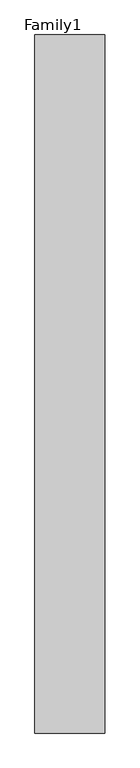
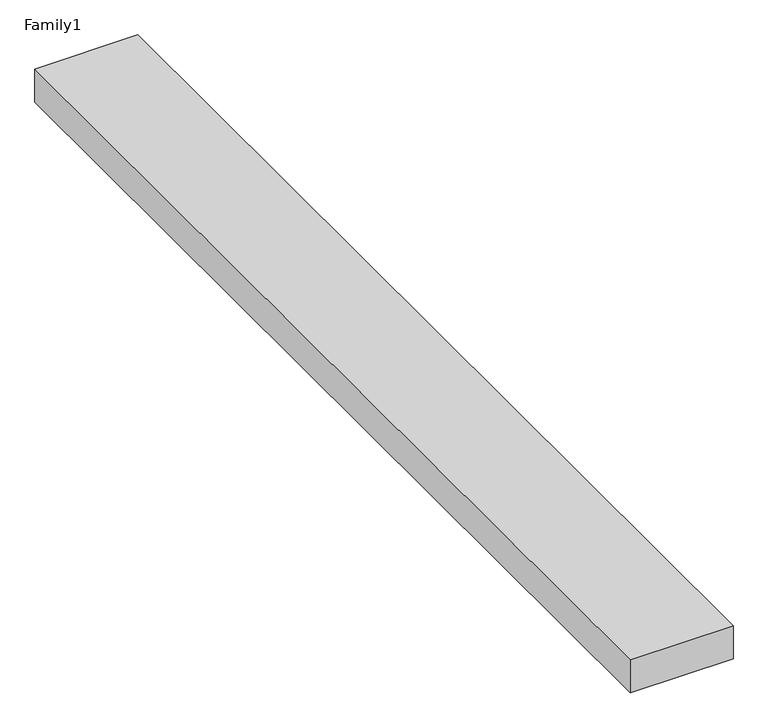
"""IFC4 building model written with IfcOpenShell, lengths in millimetres: proxy geometry, Family1."""

import ifcopenshell
import ifcopenshell.guid

model = None  # the IFC model being written
_history = None  # IfcOwnerHistory: only IFC2X3 demands one
_inside = {}  # id of a spatial element -> (the spatial element, [elements in it])
_under = {}  # id of a project, library or spatial element -> (it, [spatial elements below it])
_declared = {}  # id of a project -> (the project, [libraries it declares])
_typed = {}  # id of a type object -> (the type object, [elements of that type])
_made_of = {}  # id of a material, layer set ... -> (it, [elements and type objects made of it])


def new_model(schema):
    """Start an empty IFC model of exactly this schema.

    Asked for "IFC4X3", IfcOpenShell would pick the latest addendum, in which some entities
    have other attributes; the version numbers below select the first issue.
    IFC2X3 requires an IfcOwnerHistory on every rooted entity: one is made here for all.
    """
    global model, _history
    if schema == "IFC4X3":
        model = ifcopenshell.file(schema_version=(4, 3, 0, 0))
    else:
        model = ifcopenshell.file(schema=schema)
    _inside.clear()
    _under.clear()
    _declared.clear()
    _typed.clear()
    _made_of.clear()
    _history = None
    if model.schema == "IFC2X3":
        org = make("IfcOrganization", Name="unknown")
        user = make(
            "IfcPersonAndOrganization",
            ThePerson=make("IfcPerson", FamilyName="unknown"),
            TheOrganization=org,
        )
        app = make(
            "IfcApplication",
            ApplicationDeveloper=org,
            Version="unknown",
            ApplicationFullName="unknown",
            ApplicationIdentifier="unknown",
        )
        _history = make(
            "IfcOwnerHistory",
            OwningUser=user,
            OwningApplication=app,
            ChangeAction="ADDED",
            CreationDate=0,
        )
    return model


def make(cls, **values):
    """One entity of the class cls with the attributes given. An attribute that is None is left unset."""
    return model.create_entity(
        cls, **{name: value for name, value in values.items() if value is not None}
    )


def rooted(cls, **values):
    """An entity with a GlobalId (a new one), such as an element, a storey or a relation."""
    return make(cls, GlobalId=ifcopenshell.guid.new(), OwnerHistory=_history, **values)


def si_unit(unit_type, name, prefix=None):
    """IfcSIUnit, for example si_unit("LENGTHUNIT", "METRE", prefix="MILLI")."""
    return make("IfcSIUnit", UnitType=unit_type, Prefix=prefix, Name=name)


def assignment(units):
    """IfcUnitAssignment: the units of a project."""
    return None if units is None else make("IfcUnitAssignment", Units=units)


def point(xyz):
    """IfcCartesianPoint."""
    return None if xyz is None else make("IfcCartesianPoint", Coordinates=xyz)


def direction(xyz):
    """IfcDirection."""
    return None if xyz is None else make("IfcDirection", DirectionRatios=xyz)


def frame(location, z_axis=None, x_axis=None):
    """IfcAxis2Placement3D, a coordinate frame: its origin and axes. An axis left out is left unset."""
    return make(
        "IfcAxis2Placement3D",
        Location=point(location),
        Axis=direction(z_axis),
        RefDirection=direction(x_axis),
    )


def origin():
    """The frame at (0, 0, 0) with its axes left unset."""
    return frame((0.0, 0.0, 0.0))


def origin_with_axes():
    """The frame at (0, 0, 0) with the z axis (0, 0, 1) and the x axis (1, 0, 0) written out."""
    return frame((0.0, 0.0, 0.0), z_axis=(0.0, 0.0, 1.0), x_axis=(1.0, 0.0, 0.0))


def place(relative_to, where):
    """IfcLocalPlacement: puts the frame where relative to a parent placement (None: the world)."""
    return make(
        "IfcLocalPlacement", PlacementRelTo=relative_to, RelativePlacement=where
    )


def context(
    kind, dimensions, precision=None, world=None, true_north=None, identifier=None
):
    """IfcGeometricRepresentationContext, for example the 3D "Model" context."""
    return make(
        "IfcGeometricRepresentationContext",
        ContextIdentifier=identifier,
        ContextType=kind,
        CoordinateSpaceDimension=dimensions,
        Precision=precision,
        WorldCoordinateSystem=world,
        TrueNorth=true_north,
    )


def project(units=None, contexts=None):
    """IfcProject with its units and contexts."""
    return rooted(
        "IfcProject",
        Name="project",
        RepresentationContexts=contexts,
        UnitsInContext=assignment(units),
    )


def spatial(cls, under=None, at=None, **own):
    """A site, building, storey or space (cls), placed at a placement, below another one or the project."""
    s = rooted(cls, ObjectPlacement=at, **own)
    if under is not None:
        _under.setdefault(under.id(), (under, []))[1].append(s)
    return s


def polyline(points):
    """IfcPolyline through the points."""
    return make("IfcPolyline", Points=[point(p) for p in points])


def outline(outer, holes=None, kind="AREA"):
    """IfcArbitraryClosedProfileDef: a profile drawn as a closed curve; with holes, ...WithVoids."""
    if holes is None:
        return make("IfcArbitraryClosedProfileDef", ProfileType=kind, OuterCurve=outer)
    return make(
        "IfcArbitraryProfileDefWithVoids",
        ProfileType=kind,
        OuterCurve=outer,
        InnerCurves=holes,
    )


def extrude(swept, where, along, depth):
    """IfcExtrudedAreaSolid: the profile swept, set in the frame where, extruded along a direction by depth."""
    return make(
        "IfcExtrudedAreaSolid",
        SweptArea=swept,
        Position=where,
        ExtrudedDirection=direction(along),
        Depth=depth,
    )


def shape(context_of_items, identifier, shape_type, items):
    """IfcShapeRepresentation: the items that make up one representation, for example the "Body"."""
    return make(
        "IfcShapeRepresentation",
        ContextOfItems=context_of_items,
        RepresentationIdentifier=identifier,
        RepresentationType=shape_type,
        Items=items,
    )


def source(mapping_origin, context_of_items, identifier, shape_type, items):
    """IfcRepresentationMap: a shape defined once, which mapped items show again and again."""
    return make(
        "IfcRepresentationMap",
        MappingOrigin=mapping_origin,
        MappedRepresentation=shape(context_of_items, identifier, shape_type, items),
    )


def transform(
    local_origin,
    x_axis=None,
    y_axis=None,
    z_axis=None,
    scale=None,
    scale2=None,
    scale3=None,
    uniform=True,
):
    """IfcCartesianTransformationOperator3D, or its non-uniform kind. x_axis, y_axis, z_axis: its Axis1, 2, 3."""
    if uniform:
        return make(
            "IfcCartesianTransformationOperator3D",
            Axis1=direction(x_axis),
            Axis2=direction(y_axis),
            LocalOrigin=point(local_origin),
            Scale=scale,
            Axis3=direction(z_axis),
        )
    return make(
        "IfcCartesianTransformationOperator3DnonUniform",
        Axis1=direction(x_axis),
        Axis2=direction(y_axis),
        LocalOrigin=point(local_origin),
        Scale=scale,
        Axis3=direction(z_axis),
        Scale2=scale2,
        Scale3=scale3,
    )


def mapped(mapping_source, mapping_target):
    """IfcMappedItem: shows the shape of a source again, moved by a transform."""
    return make(
        "IfcMappedItem", MappingSource=mapping_source, MappingTarget=mapping_target
    )


def made_of(thing, what):
    """Note that an element or type object is made of a material, layer set ...; save() writes the relation."""
    if what is not None:
        _made_of.setdefault(what.id(), (what, []))[1].append(thing)
    return thing


def element(
    cls,
    number,
    at=None,
    inside=None,
    cuts=None,
    type_object=None,
    material=None,
    context=None,
    identifier="Body",
    shape_type=None,
    held_by="IfcProductDefinitionShape",
    body=None,
    shapes=None,
    **own,
):
    """One element of the class cls, such as IfcWall. Its Tag is "e" and its number.

    at: its placement. inside: the storey or other place that contains it. cuts: it is an
    opening in that element (IfcRelVoidsElement). A single representation is given by context,
    identifier, shape_type and body (its items); several are given by shapes. held_by: the class
    of the entity that holds the representations. save() writes the other relations.
    """
    e = rooted(cls, Tag="e%d" % number, ObjectPlacement=at, **own)
    if body is not None:
        shapes = [shape(context, identifier, shape_type, body)]
    if shapes is not None:
        e.Representation = make(held_by, Representations=shapes)
    if inside is not None:
        _inside.setdefault(inside.id(), (inside, []))[1].append(e)
    if cuts is not None:
        rooted(
            "IfcRelVoidsElement", RelatingBuildingElement=cuts, RelatedOpeningElement=e
        )
    if type_object is not None:
        _typed.setdefault(type_object.id(), (type_object, []))[1].append(e)
    return made_of(e, material)


def aggregate(whole, parts):
    """IfcRelAggregates: a whole, such as a stair, and the parts it consists of."""
    return rooted("IfcRelAggregates", RelatingObject=whole, RelatedObjects=parts)


def save(model, path):
    """Write the relations noted so far, then the file.

    IfcRelAggregates (storeys below a building ...), IfcRelContainedInSpatialStructure (elements
    in a storey), IfcRelDefinesByType, IfcRelAssociatesMaterial and IfcRelDeclares: one each for
    every whole, place, type object, material and project.
    """
    for whole, parts in _under.values():
        aggregate(whole, parts)
    for where, things in _inside.values():
        rooted(
            "IfcRelContainedInSpatialStructure",
            RelatedElements=things,
            RelatingStructure=where,
        )
    for kind, things in _typed.values():
        rooted("IfcRelDefinesByType", RelatedObjects=things, RelatingType=kind)
    for what, things in _made_of.values():
        rooted("IfcRelAssociatesMaterial", RelatedObjects=things, RelatingMaterial=what)
    for by, libraries in _declared.values():
        rooted("IfcRelDeclares", RelatingContext=by, RelatedDefinitions=libraries)
    model.write(path)


def family1_43898ea0(model_context):
    return source(origin(), model_context, "Body", "SweptSolid", [
        extrude(outline(polyline([(5000.0, 0.0), (0.0, 0.0), (0.0, 50000.0), (5000.0, 50000.0), (5000.0, 0.0)])), origin_with_axes(), (0.0, 0.0, 1.0), 1695.0),
    ])


if __name__ == "__main__":
    model = new_model("IFC4")
    model_context = context("Model", 3, world=origin())
    ifc_project = project(units=[si_unit("LENGTHUNIT", "METRE", prefix="MILLI")], contexts=[model_context])
    site = spatial("IfcSite", under=ifc_project)
    building = spatial("IfcBuilding", under=site)
    placement = place(None, origin())
    family1_shape = family1_43898ea0(model_context)
    element("IfcBuildingElementProxy", 1, Name="Family1", ObjectType="Family1", at=placement, inside=building, context=model_context, shape_type="MappedRepresentation", body=[
        mapped(family1_shape, transform((0.0, 0.0, 0.0), x_axis=(1.0, 0.0, 0.0), y_axis=(0.0, 1.0, 0.0), z_axis=(0.0, 0.0, 1.0))),
    ])
    save(model, "model.ifc")
